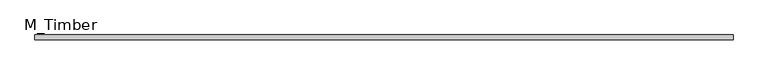
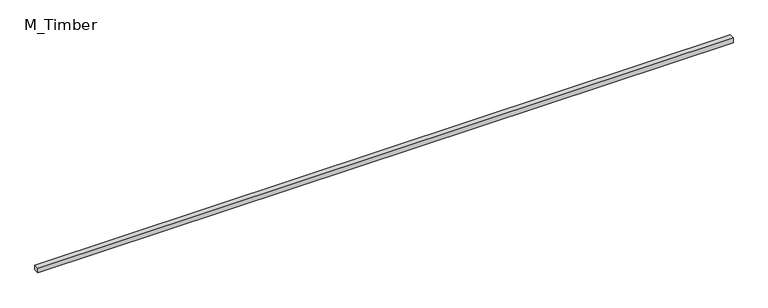
"""IFC4 building model written with IfcOpenShell, lengths in millimetres: beam geometry, M_Timber."""

from ifc_helpers import new_model, si_unit, frame, origin, place, context, project, spatial, polyline, outline, extrude, source, transform, mapped, element, save


def m_timber_1f3ce3e5(model_context):
    return source(origin(), model_context, "Body", "SweptSolid", [
        extrude(outline(polyline([(2770.8268238, 20.0), (2770.8268238, -20.0), (-2770.8268238, -20.0), (-2770.8268238, 20.0), (2770.8268238, 20.0)])), frame((0.0, 0.0, -20.0), z_axis=(0.0, 0.0, 1.0), x_axis=(1.0, 0.0, 0.0)), (0.0, 0.0, 1.0), 40.0),
    ])


if __name__ == "__main__":
    model = new_model("IFC4")
    model_context = context("Model", 3, world=origin())
    ifc_project = project(units=[si_unit("LENGTHUNIT", "METRE", prefix="MILLI")], contexts=[model_context])
    site = spatial("IfcSite", under=ifc_project)
    building = spatial("IfcBuilding", under=site)
    placement = place(None, origin())
    m_timber_shape = m_timber_1f3ce3e5(model_context)
    element("IfcBeam", 1, ObjectType="M_Timber", at=placement, inside=building, context=model_context, shape_type="MappedRepresentation", body=[
        mapped(m_timber_shape, transform((0.0, 0.0, 0.0), x_axis=(1.0, 0.0, 0.0), y_axis=(0.0, 1.0, 0.0), z_axis=(0.0, 0.0, 1.0))),
    ])
    save(model, "model.ifc")
